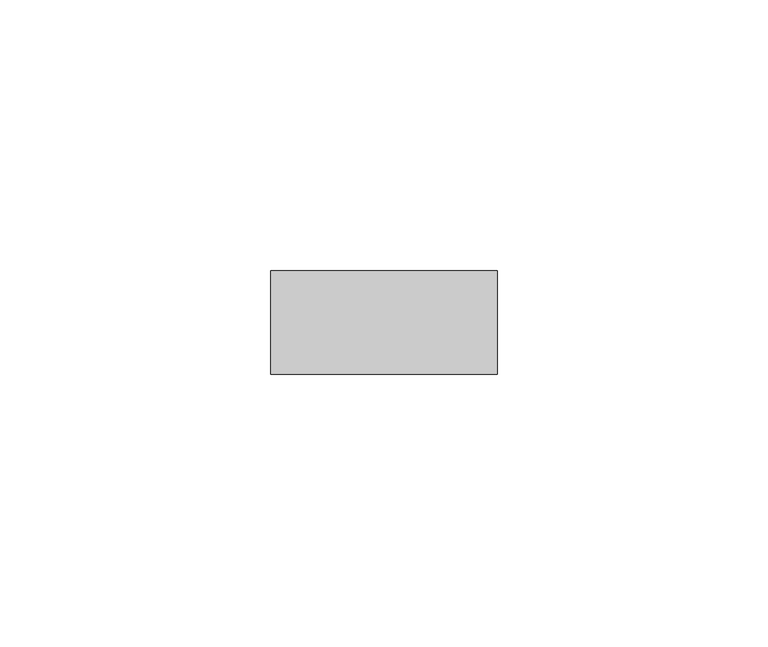
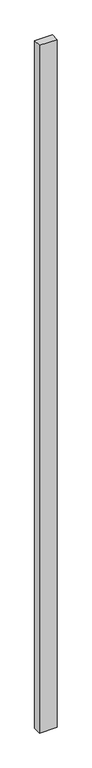
"""IFC4 building model written with IfcOpenShell, lengths in millimetres: plate geometry."""

from ifc_helpers import new_model, si_unit, origin, origin_with_axes, place, context, project, spatial, polyline, outline, extrude, source, transform, mapped, element, save


def plate_cda4b30b(model_context):
    return source(origin(), model_context, "Body", "SweptSolid", [
        extrude(outline(polyline([(20.8840206, -9.525), (-20.8840206, -9.525), (-20.8840206, 9.525), (20.8840206, 9.525), (20.8840206, -9.525)])), origin_with_axes(), (0.0, 0.0, 1.0), 1708.8912252),
    ])


if __name__ == "__main__":
    model = new_model("IFC4")
    model_context = context("Model", 3, world=origin())
    ifc_project = project(units=[si_unit("LENGTHUNIT", "METRE", prefix="MILLI")], contexts=[model_context])
    site = spatial("IfcSite", under=ifc_project)
    building = spatial("IfcBuilding", under=site)
    placement = place(None, origin())
    plate_shape = plate_cda4b30b(model_context)
    element("IfcPlate", 1, at=placement, inside=building, context=model_context, shape_type="MappedRepresentation", body=[
        mapped(plate_shape, transform((0.0, 0.0, 0.0), x_axis=(1.0, 0.0, 0.0), y_axis=(0.0, 1.0, 0.0), z_axis=(0.0, 0.0, 1.0))),
    ])
    save(model, "model.ifc")
